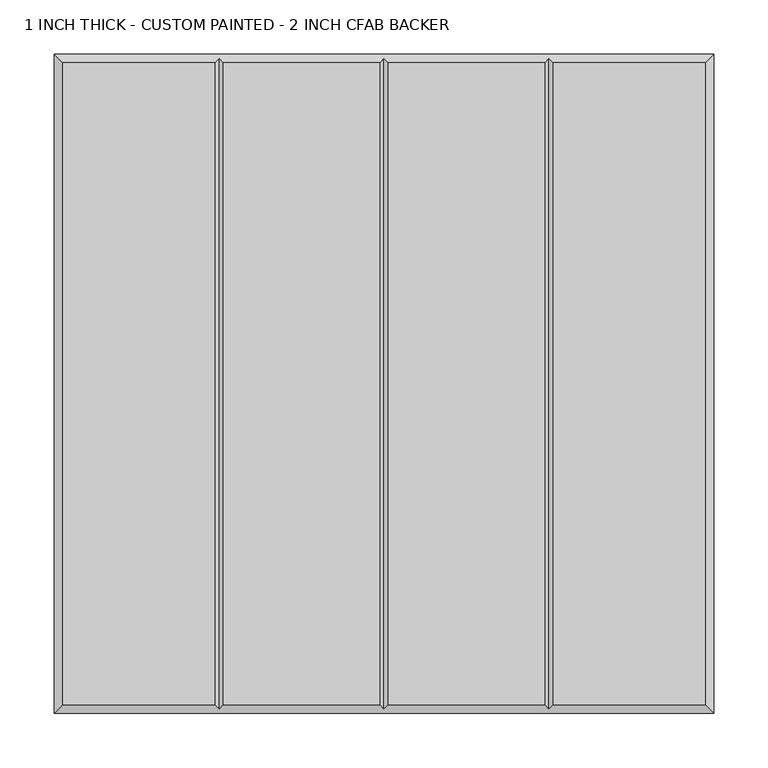
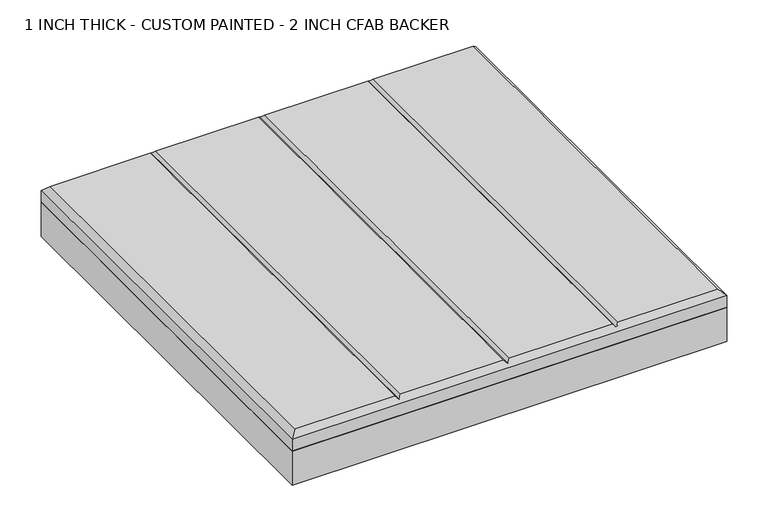
"""IFC4 building model written with IfcOpenShell, lengths in millimetres: proxy geometry, 1 INCH THICK - CUSTOM PAINTED - 2 INCH CFAB BACKER."""

from ifc_helpers import new_model, si_unit, frame, origin, place, context, project, spatial, polyline, outline, extrude, faceted_brep, source, transform, mapped, element, save


def proxy_1_inch_thick_custom_painted_2_inch_cfab_backer_a758215f(model_context):
    return source(origin(), model_context, "Body", "SolidModel", [
        extrude(outline(polyline([(-304.8, 304.8), (304.8, 304.8), (304.8, -304.8), (-304.8, -304.8), (-304.8, 304.8)])), frame((0.0, 0.0, -50.8), z_axis=(0.0, 0.0, 1.0), x_axis=(1.0, 0.0, 0.0)), (0.0, 0.0, 1.0), 50.8),
        faceted_brep([(-296.799, 296.799, 25.4), (-296.799, -296.799, 25.4), (-156.4009826, -296.799, 25.4), (-156.4009826, 296.799, 25.4), (296.799, -296.799, 25.4), (296.799, 296.799, 25.4), (156.4010334, 296.799, 25.4), (156.4010334, -296.799, 25.4), (-148.3999826, 296.799, 25.4), (-148.3999826, -296.799, 25.4), (-4.0004746, -296.799, 25.4), (-4.0004746, 296.799, 25.4), (4.0005254, 296.799, 25.4), (4.0005254, -296.799, 25.4), (148.4000334, -296.799, 25.4), (148.4000334, 296.799, 25.4), (-304.8, 304.8, 0.0), (304.8, 304.8, 0.0), (304.8, -304.8, 0.0), (-304.8, -304.8, 0.0), (-304.8, -304.8, 17.399), (-304.8, 304.8, 17.399), (304.8, -304.8, 17.399), (304.8, 304.8, 17.399), (-152.4004826, 300.7995, 21.3995), (2.54e-05, 300.7995, 21.3995), (152.4005334, 300.7995, 21.3995), (152.4005334, -300.7995, 21.3995), (2.54e-05, -300.7995, 21.3995), (-152.4004826, -300.7995, 21.3995)], [[[0, 1, 2, 3]], [[4, 5, 6, 7]], [[8, 9, 10, 11]], [[12, 13, 14, 15]], [[16, 17, 18, 19]], [[16, 19, 20, 21]], [[19, 18, 22, 20]], [[18, 17, 23, 22]], [[17, 16, 21, 23]], [[21, 0, 3, 24, 8, 11, 25, 12, 15, 26, 6, 5, 23]], [[0, 21, 20, 1]], [[1, 20, 22, 4, 7, 27, 14, 13, 28, 10, 9, 29, 2]], [[23, 5, 4, 22]], [[24, 29, 9, 8]], [[29, 24, 3, 2]], [[25, 28, 13, 12]], [[28, 25, 11, 10]], [[26, 27, 7, 6]], [[27, 26, 15, 14]]]),
    ])


if __name__ == "__main__":
    model = new_model("IFC4")
    model_context = context("Model", 3, world=origin())
    ifc_project = project(units=[si_unit("LENGTHUNIT", "METRE", prefix="MILLI")], contexts=[model_context])
    site = spatial("IfcSite", under=ifc_project)
    building = spatial("IfcBuilding", under=site)
    placement = place(None, origin())
    proxy_1_inch_thick_custom_painted_2_inch_cfab_backer_shape = proxy_1_inch_thick_custom_painted_2_inch_cfab_backer_a758215f(model_context)
    element("IfcBuildingElementProxy", 1, Name="1 INCH THICK - CUSTOM PAINTED - 2 INCH CFAB BACKER", ObjectType="1 INCH THICK - CUSTOM PAINTED - 2 INCH CFAB BACKER", at=placement, inside=building, context=model_context, shape_type="MappedRepresentation", body=[
        mapped(proxy_1_inch_thick_custom_painted_2_inch_cfab_backer_shape, transform((0.0, 0.0, 0.0), x_axis=(1.0, 0.0, 0.0), y_axis=(0.0, 1.0, 0.0), z_axis=(0.0, 0.0, 1.0))),
    ])
    save(model, "model.ifc")
